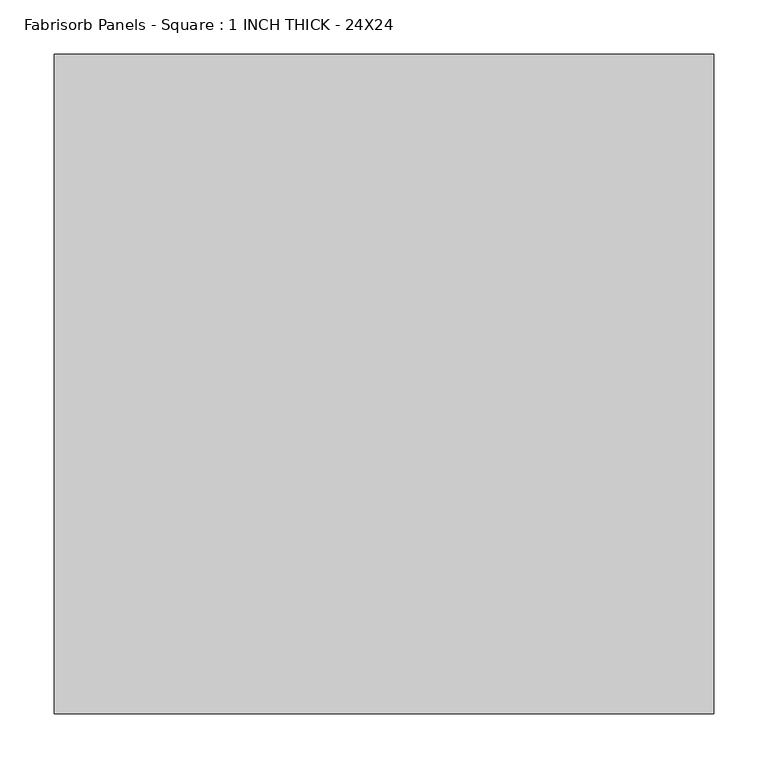
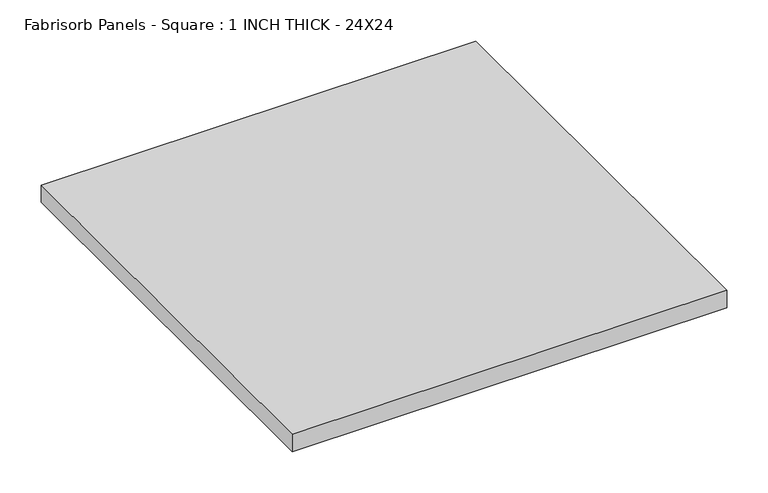
"""IFC4 building model written with IfcOpenShell, lengths in millimetres: proxy geometry, Fabrisorb Panels - Square : 1 INCH THICK - 24X24."""

from ifc_helpers import new_model, si_unit, origin, origin_with_axes, place, context, project, spatial, polyline, outline, extrude, source, transform, mapped, element, save


def fabrisorb_panels_square_1_inch_thick_24x24_ee6e0225(model_context):
    return source(origin(), model_context, "Body", "SweptSolid", [
        extrude(outline(polyline([(-304.8, 304.8), (304.8, 304.8), (304.8, -304.8), (-304.8, -304.8), (-304.8, 304.8)])), origin_with_axes(), (0.0, 0.0, 1.0), 25.4),
    ])


if __name__ == "__main__":
    model = new_model("IFC4")
    model_context = context("Model", 3, world=origin())
    ifc_project = project(units=[si_unit("LENGTHUNIT", "METRE", prefix="MILLI")], contexts=[model_context])
    site = spatial("IfcSite", under=ifc_project)
    building = spatial("IfcBuilding", under=site)
    placement = place(None, origin())
    fabrisorb_panels_square_1_inch_thick_24x24_shape = fabrisorb_panels_square_1_inch_thick_24x24_ee6e0225(model_context)
    element("IfcBuildingElementProxy", 1, Name="Fabrisorb Panels - Square : 1 INCH THICK - 24X24", ObjectType="Fabrisorb Panels - Square : 1 INCH THICK - 24X24", at=placement, inside=building, context=model_context, shape_type="MappedRepresentation", body=[
        mapped(fabrisorb_panels_square_1_inch_thick_24x24_shape, transform((0.0, 0.0, 0.0), x_axis=(1.0, 0.0, 0.0), y_axis=(0.0, 1.0, 0.0), z_axis=(0.0, 0.0, 1.0))),
    ])
    save(model, "model.ifc")
